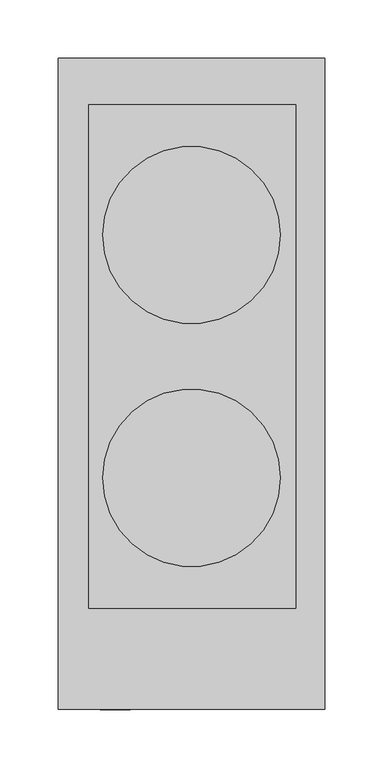
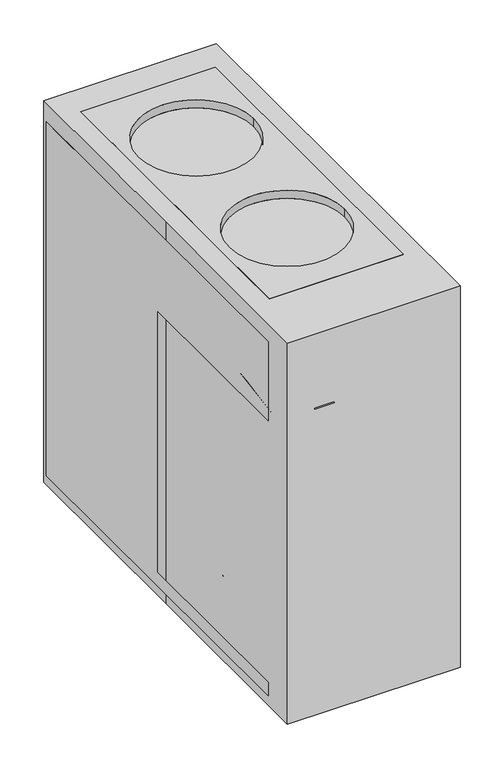
"""IFC4 building model written with IfcOpenShell, lengths in millimetres: proxy geometry."""

from ifc_helpers import new_model, si_unit, point, frame, frame_2d, origin, origin_with_axes, place, context, project, spatial, polyline, circle_curve, ellipse_curve, trimmed, segment, composite_curve, outline, extrude, source, transform, mapped, element, save
from ifc_brep_helpers import plane_surface, cylinder_surface, revolved_surface, advanced_brep


def specialty_equipment_200fc004(model_context):
    return source(origin(), model_context, "Body", "SolidModel", [
        extrude(outline(polyline([(-6.35, 0.0), (6.35, 0.0), (13.7065038, -50.8), (-11.6934962, -50.8), (-6.35, 0.0)])), frame((-66.3573194, -248.7924454, 469.1875481), z_axis=(0.0, -0.866025403784439, 0.49999999999999944), x_axis=(1.0, 0.0, 0.0)), (0.0, 0.0, 1.0), 6.35),
        extrude(outline(polyline([(-60.0073194, -247.65), (-72.7073194, -247.65), (-72.7073194, -234.95), (-60.0073194, -234.95), (-60.0073194, -247.65)])), frame((0.0, 0.0, 456.4875481), z_axis=(0.0, 0.0, 1.0), x_axis=(1.0, 0.0, 0.0)), (0.0, 0.0, 1.0), 12.7),
        extrude(outline(polyline([(99.1586716, -247.65), (54.7086716, -247.65), (54.7086716, -234.95), (99.1586716, -234.95), (99.1586716, -247.65)])), frame((0.0, 0.0, 482.1172372), z_axis=(0.0, 0.0, 1.0), x_axis=(1.0, 0.0, 0.0)), (0.0, 0.0, 1.0), 12.7),
        extrude(outline(polyline([(35.6586716, -247.65), (-8.7913284, -247.65), (-8.7913284, -234.95), (35.6586716, -234.95), (35.6586716, -247.65)])), frame((0.0, 0.0, 482.1172372), z_axis=(0.0, 0.0, 1.0), x_axis=(1.0, 0.0, 0.0)), (0.0, 0.0, 1.0), 12.7),
        extrude(outline(composite_curve([segment(trimmed(circle_curve(frame_2d((449.9890787, 64.52786)), 6.35), [point((449.9890787, 58.17786))], [point((449.9890787, 70.87786))], False, "CARTESIAN"), True, "CONTINUOUS"), segment(trimmed(circle_curve(frame_2d((449.9890787, 64.52786)), 6.35), [point((449.9890787, 70.87786))], [point((449.9890787, 58.17786))], False, "CARTESIAN"), True, "CONTINUOUS")], self_intersect=False)), frame((0.0, -247.65, 0.0), z_axis=(0.0, 1.0, 0.0), x_axis=(0.0, 0.0, 1.0)), (0.0, 0.0, 1.0), 12.7),
        extrude(outline(composite_curve([segment(trimmed(circle_curve(frame_2d((449.9890787, 26.42786)), 6.35), [point((449.9890787, 20.07786))], [point((449.9890787, 32.77786))], False, "CARTESIAN"), True, "CONTINUOUS"), segment(trimmed(circle_curve(frame_2d((449.9890787, 26.42786)), 6.35), [point((449.9890787, 32.77786))], [point((449.9890787, 20.07786))], False, "CARTESIAN"), True, "CONTINUOUS")], self_intersect=False)), frame((0.0, -247.65, 0.0), z_axis=(0.0, 1.0, 0.0), x_axis=(0.0, 0.0, 1.0)), (0.0, 0.0, 1.0), 12.7),
        advanced_brep(
        [(-76.2, 127.7134023, 522.1626312), (76.2, 127.7134023, 522.1626312), (-76.2, 127.7134023, 533.4), (76.2, 127.7134023, 533.4), (-76.2, -80.7485258, 522.1626312), (76.2, -80.7485258, 522.1626312), (-76.2, -80.7485258, 533.4), (76.2, -80.7485258, 533.4), (89.4998195, 239.3021594, 533.4), (-88.3001805, 239.3021594, 533.4), (-88.3001805, -192.4978406, 533.4), (89.4998195, -192.4978406, 533.4), (89.4998195, 239.3021594, 508.0), (89.4998195, -192.4978406, 508.0), (-88.3001805, -192.4978406, 508.0), (-88.3001805, 239.3021594, 508.0)],
        [
            (0, 1, circle_curve(frame((0.0, 127.7134023, 522.1626312), z_axis=(0.0, 0.0, 1.0), x_axis=(1.0, 0.0, 0.0)), 76.2)),
            (1, 0, circle_curve(frame((0.0, 127.7134023, 522.1626312), z_axis=(0.0, 0.0, 1.0), x_axis=(1.0, 0.0, 0.0)), 76.2)),
            (0, 2),
            (2, 3, circle_curve(frame((0.0, 127.7134023, 533.4), z_axis=(0.0, 0.0, 1.0), x_axis=(1.0, 0.0, 0.0)), 76.2)),
            (3, 1),
            (3, 2, circle_curve(frame((0.0, 127.7134023, 533.4), z_axis=(0.0, 0.0, 1.0), x_axis=(1.0, 0.0, 0.0)), 76.2)),
            (4, 5, circle_curve(frame((0.0, -80.7485258, 522.1626312), z_axis=(0.0, 0.0, 1.0), x_axis=(1.0, 0.0, 0.0)), 76.2)),
            (5, 4, circle_curve(frame((0.0, -80.7485258, 522.1626312), z_axis=(0.0, 0.0, 1.0), x_axis=(1.0, 0.0, 0.0)), 76.2)),
            (4, 6),
            (6, 7, circle_curve(frame((0.0, -80.7485258, 533.4), z_axis=(0.0, 0.0, 1.0), x_axis=(1.0, 0.0, 0.0)), 76.2)),
            (7, 5),
            (7, 6, circle_curve(frame((0.0, -80.7485258, 533.4), z_axis=(0.0, 0.0, 1.0), x_axis=(1.0, 0.0, 0.0)), 76.2)),
            (8, 9),
            (9, 10),
            (10, 11),
            (11, 8),
            (12, 13),
            (13, 14),
            (14, 15),
            (15, 12),
            (8, 12),
            (15, 9),
            (14, 10),
            (13, 11),
        ],
        [
            plane_surface(frame((76.2, 127.7134023, 522.1626312), z_axis=(0.0, 0.0, 1.0), x_axis=(0.0, -1.0, 0.0))),
            revolved_surface(polyline([(76.2, 127.7134023, 533.4), (76.2, 127.7134023, 522.1626312)]), (0.0, 127.7134023, 522.1626312), (0.0, 0.0, 1.0)),
            plane_surface(frame((76.2, -80.7485258, 522.1626312), z_axis=(0.0, 0.0, 1.0), x_axis=(0.0, -1.0, 0.0))),
            revolved_surface(polyline([(76.2, -80.7485258, 533.4), (76.2, -80.7485258, 522.1626312)]), (0.0, -80.7485258, 522.1626312), (0.0, 0.0, 1.0)),
            plane_surface(frame((-69.2501805, 239.3021594, 533.4), z_axis=(0.0, 0.0, 1.0), x_axis=(-1.0, 0.0, 0.0))),
            plane_surface(frame((-69.2501805, 239.3021594, 508.0), z_axis=(0.0, 0.0, -1.0), x_axis=(1.0, 0.0, 0.0))),
            plane_surface(frame((89.4998195, 239.3021594, 533.4), z_axis=(0.0, 1.0, 0.0), x_axis=(0.0, 0.0, -1.0))),
            plane_surface(frame((-88.3001805, 239.3021594, 533.4), z_axis=(-1.0, 0.0, 0.0), x_axis=(0.0, 0.0, -1.0))),
            plane_surface(frame((-88.3001805, -192.4978406, 533.4), z_axis=(0.0, -1.0, 0.0), x_axis=(0.0, 0.0, -1.0))),
            plane_surface(frame((89.4998195, -192.4978406, 533.4), z_axis=(1.0, 0.0, 0.0), x_axis=(0.0, 0.0, -1.0))),
        ],
        [
            (0, [[1, 2]]),
            (1, [[-1, 3, 4, 5]]),
            (1, [[-2, -5, 6, -3]]),
            (2, [[7, 8]]),
            (3, [[-7, 9, 10, 11]]),
            (3, [[-8, -11, 12, -9]]),
            (4, [[13, 14, 15, 16], [-4, -6], [-10, -12]]),
            (5, [[17, 18, 19, 20]]),
            (6, [[-13, 21, -20, 22]]),
            (7, [[-14, -22, -19, 23]]),
            (8, [[-15, -23, -18, 24]]),
            (9, [[-16, -24, -17, -21]]),
        ],
    ),
        extrude(outline(polyline([(-234.95, 12.7), (-234.95, 31.75), (19.05, 31.75), (19.05, 397.4233361), (-234.95, 397.4233361), (-234.95, 508.0), (273.05, 508.0), (273.05, 12.7), (-234.95, 12.7)])), frame((-114.3, 0.0, 0.0), z_axis=(1.0, 0.0, 0.0), x_axis=(0.0, 1.0, 0.0)), (0.0, 0.0, 1.0), 228.6),
        advanced_brep(
        [(-114.3, 279.4, 533.4), (-114.3, 0.0, 533.4), (-114.3, -279.4, 533.4), (114.3, -279.4, 533.4), (114.3, 279.4, 533.4), (76.2, 127.7134023, 533.4), (-76.2, 127.7134023, 533.4), (76.2, -80.7485258, 533.4), (-76.2, -80.7485258, 533.4), (-114.3, 279.4, 0.0), (114.3, 279.4, 0.0), (114.3, -279.4, 0.0), (-114.3, -279.4, 0.0), (-114.3, 0.0, 0.0), (-76.2, 127.7134023, 522.1626312), (76.2, 127.7134023, 522.1626312), (-76.2, -80.7485258, 522.1626312), (76.2, -80.7485258, 522.1626312)],
        [
            (0, 1),
            (1, 2),
            (2, 3),
            (3, 4),
            (4, 0),
            (5, 6, circle_curve(frame((0.0, 127.7134023, 533.4), z_axis=(0.0, 0.0, -1.0), x_axis=(1.0, 0.0, 0.0)), 76.2)),
            (6, 5, circle_curve(frame((0.0, 127.7134023, 533.4), z_axis=(0.0, 0.0, -1.0), x_axis=(1.0, 0.0, 0.0)), 76.2)),
            (7, 8, circle_curve(frame((0.0, -80.7485258, 533.4), z_axis=(0.0, 0.0, -1.0), x_axis=(1.0, 0.0, 0.0)), 76.2)),
            (8, 7, circle_curve(frame((0.0, -80.7485258, 533.4), z_axis=(0.0, 0.0, -1.0), x_axis=(1.0, 0.0, 0.0)), 76.2)),
            (9, 10),
            (10, 11),
            (11, 12),
            (12, 13),
            (13, 9),
            (0, 9),
            (13, 1),
            (12, 2),
            (11, 3),
            (10, 4),
            (14, 15, circle_curve(frame((0.0, 127.7134023, 522.1626312), z_axis=(0.0, 0.0, 1.0), x_axis=(1.0, 0.0, 0.0)), 76.2)),
            (15, 14, circle_curve(frame((0.0, 127.7134023, 522.1626312), z_axis=(0.0, 0.0, 1.0), x_axis=(1.0, 0.0, 0.0)), 76.2)),
            (14, 6),
            (5, 15),
            (16, 17, circle_curve(frame((0.0, -80.7485258, 522.1626312), z_axis=(0.0, 0.0, 1.0), x_axis=(1.0, 0.0, 0.0)), 76.2)),
            (17, 16, circle_curve(frame((0.0, -80.7485258, 522.1626312), z_axis=(0.0, 0.0, 1.0), x_axis=(1.0, 0.0, 0.0)), 76.2)),
            (16, 8),
            (7, 17),
        ],
        [
            plane_surface(frame((-114.3, 0.0, 533.4), z_axis=(0.0, 0.0, 1.0), x_axis=(0.0, -1.0, 0.0))),
            plane_surface(frame((-114.3, 0.0, 0.0), z_axis=(0.0, 0.0, -1.0), x_axis=(0.0, 1.0, 0.0))),
            plane_surface(frame((-114.3, 279.4, 533.4), z_axis=(-1.0, 0.0, 0.0), x_axis=(0.0, 0.0, -1.0))),
            plane_surface(frame((-114.3, 0.0, 533.4), z_axis=(-1.0, 0.0, 0.0), x_axis=(0.0, 0.0, -1.0))),
            plane_surface(frame((-114.3, -279.4, 533.4), z_axis=(0.0, -1.0, 0.0), x_axis=(0.0, 0.0, -1.0))),
            plane_surface(frame((114.3, -279.4, 533.4), z_axis=(1.0, 0.0, 0.0), x_axis=(0.0, 0.0, -1.0))),
            plane_surface(frame((114.3, 279.4, 533.4), z_axis=(0.0, 1.0, 0.0), x_axis=(0.0, 0.0, -1.0))),
            plane_surface(frame((76.2, 127.7134023, 522.1626312), z_axis=(0.0, 0.0, 1.0), x_axis=(0.0, -1.0, 0.0))),
            revolved_surface(polyline([(76.2, 127.7134023, 533.4), (76.2, 127.7134023, 522.1626312)]), (0.0, 127.7134023, 522.1626312), (0.0, 0.0, 1.0)),
            plane_surface(frame((76.2, -80.7485258, 522.1626312), z_axis=(0.0, 0.0, 1.0), x_axis=(0.0, -1.0, 0.0))),
            revolved_surface(polyline([(76.2, -80.7485258, 533.4), (76.2, -80.7485258, 522.1626312)]), (0.0, -80.7485258, 522.1626312), (0.0, 0.0, 1.0)),
        ],
        [
            (0, [[1, 2, 3, 4, 5], [6, 7], [8, 9]]),
            (1, [[10, 11, 12, 13, 14]]),
            (2, [[-1, 15, -14, 16]]),
            (3, [[-2, -16, -13, 17]]),
            (4, [[-3, -17, -12, 18]]),
            (5, [[-4, -18, -11, 19]]),
            (6, [[-5, -19, -10, -15]]),
            (7, [[20, 21]]),
            (8, [[-20, 22, -6, 23]]),
            (8, [[-21, -23, -7, -22]]),
            (9, [[24, 25]]),
            (10, [[-24, 26, -8, 27]]),
            (10, [[-25, -27, -9, -26]]),
        ],
    ),
        advanced_brep(
        [(-12.9117986, -140.1635833, 258.171536), (13.4227125, -140.1635833, 258.171536), (13.4227125, -146.5135833, 247.1730134), (-12.9117986, -146.5135833, 247.1730134), (13.4227125, -178.6584125, 280.396536), (13.4227125, -222.4331171, 272.6778745), (13.4227125, -266.5280753, 163.5390233), (13.4227125, -254.7528403, 158.7815196), (13.4227125, -211.4999829, 265.8360982), (13.4227125, -185.0084125, 269.3980134), (-12.9117986, -185.0084125, 269.3980134), (-12.9117986, -211.4999829, 265.8360982), (-12.9117986, -254.7528403, 158.7815196), (-12.9117986, -266.5280753, 163.5390233), (-12.9117986, -222.4331171, 272.6778745), (-12.9117986, -178.6584125, 280.396536), (0.0, -178.6584125, 280.396536), (0.0, -222.4331171, 272.6778745)],
        [
            (0, 1),
            (1, 2),
            (2, 3),
            (3, 0),
            (1, 4),
            (4, 5, circle_curve(frame((13.4227125, -195.9463935, 250.4528745), z_axis=(1.0, 0.0, 0.0), x_axis=(0.0, 0.5000000000000018, 0.8660254037844376)), 34.5759621)),
            (5, 6),
            (6, 7),
            (7, 8),
            (8, 9, circle_curve(frame((13.4227125, -195.9463935, 250.4528745), z_axis=(-1.0, 0.0, 0.0), x_axis=(0.0, 0.5000000000000018, 0.8660254037844376)), 21.8759621)),
            (9, 2),
            (9, 10),
            (10, 3),
            (10, 11, circle_curve(frame((-12.9117986, -195.9463935, 250.4528745), z_axis=(1.0, 0.0, 0.0), x_axis=(0.0, 0.5000000000000018, 0.8660254037844376)), 21.8759621)),
            (11, 12),
            (12, 13),
            (13, 14),
            (14, 15, circle_curve(frame((-12.9117986, -195.9463935, 250.4528745), z_axis=(-1.0, 0.0, 0.0), x_axis=(0.0, 0.5000000000000018, 0.8660254037844376)), 34.5759621)),
            (15, 0),
            (15, 16),
            (16, 4),
            (8, 11),
            (17, 16, circle_curve(frame((0.0, -195.9463935, 250.4528745), z_axis=(-1.0, 0.0, 0.0), x_axis=(0.0, 0.5000000000000018, 0.8660254037844376)), 34.5759621)),
            (14, 17),
            (17, 5),
            (6, 13),
            (12, 7),
        ],
        [
            plane_surface(frame((0.0, -140.1635833, 258.171536), z_axis=(0.0, 0.8660254037844374, -0.5000000000000023), x_axis=(1.0, 0.0, 0.0))),
            plane_surface(frame((13.4227125, -140.1635833, 258.171536), z_axis=(1.0, 0.0, 0.0), x_axis=(0.0, -0.8660254037844374, 0.5000000000000023))),
            plane_surface(frame((13.4227125, -146.5135833, 247.1730134), z_axis=(0.0, -0.5000000000000026, -0.8660254037844373), x_axis=(0.0, -0.8660254037844373, 0.5000000000000026))),
            plane_surface(frame((-12.9117986, -146.5135833, 247.1730134), z_axis=(-1.0, 0.0, 0.0), x_axis=(0.0, -0.8660254037844373, 0.5000000000000026))),
            plane_surface(frame((0.0, -140.1635833, 258.171536), z_axis=(0.0, 0.5000000000000023, 0.8660254037844374), x_axis=(0.0, -0.8660254037844374, 0.5000000000000023))),
            revolved_surface(polyline([(13.4227125, -185.00841244999995, 269.39801341082557), (-12.9117986, -185.00841244999995, 269.39801341082557)]), (0.0, -195.9463935, 250.4528745), (1.0, 0.0, 0.0)),
            cylinder_surface(frame((0.0, -195.9463935, 250.4528745), z_axis=(1.0, 0.0, 0.0), x_axis=(0.0, 0.5000000000000018, 0.8660254037844376)), 34.5759621),
            plane_surface(frame((0.0, -266.5280753, 163.5390233), z_axis=(0.0, -0.3746065934159136, -0.9271838545667869), x_axis=(1.0, 0.0, 0.0))),
            plane_surface(frame((13.4227125, -211.4999829, 265.8360982), z_axis=(0.0, 0.9271838545667866, -0.3746065934159138), x_axis=(0.0, -0.3746065934159138, -0.9271838545667866))),
            plane_surface(frame((0.0, -222.4331171, 272.6778745), z_axis=(0.0, -0.9271838545667866, 0.37460659341591407), x_axis=(0.0, -0.37460659341591407, -0.9271838545667866))),
        ],
        [
            (0, [[1, 2, 3, 4]]),
            (1, [[-2, 5, 6, 7, 8, 9, 10, 11]]),
            (2, [[-3, -11, 12, 13]]),
            (3, [[-4, -13, 14, 15, 16, 17, 18, 19]]),
            (4, [[-19, 20, 21, -5, -1]]),
            (5, [[-14, -12, -10, 22]]),
            (6, [[23, -20, -18, 24]]),
            (6, [[-6, -21, -23, 25]]),
            (7, [[26, -16, 27, -8]]),
            (8, [[-22, -9, -27, -15]]),
            (9, [[-25, -24, -17, -26, -7]]),
        ],
    ),
        advanced_brep(
        [(0.0, -181.2530218, 222.25), (0.0, -54.2530218, 222.25), (0.0, -54.2530218, 44.45), (0.0, -181.2530218, 44.45), (0.0, -146.1023815, 249.80937), (0.0, -89.4036621, 249.80937), (0.0, -146.1023815, 262.50937), (0.0, -89.4036621, 262.50937), (0.0, -179.0936518, 295.5006403), (0.0, -56.4123918, 295.5006403), (0.0, -117.7530218, 295.5006403), (0.0, -117.7530218, 44.45)],
        [
            (0, 1, circle_curve(frame((0.0, -117.7530218, 222.25), z_axis=(0.0, 0.0, -1.0), x_axis=(0.0, 1.0, 0.0)), 63.5)),
            (1, 2, circle_curve(frame((0.0, -123.9538288, 133.35), z_axis=(-1.0, 0.0, 0.0), x_axis=(0.0, 1.0, 0.0)), 112.966422)),
            (2, 3, circle_curve(frame((0.0, -117.7530218, 44.45), z_axis=(0.0, 0.0, 1.0), x_axis=(0.0, 1.0, 0.0)), 63.5)),
            (3, 0, circle_curve(frame((0.0, -111.5522148, 133.35), z_axis=(-1.0, 0.0, 0.0), x_axis=(0.0, -1.0, 0.0)), 112.966422)),
            (1, 0, circle_curve(frame((0.0, -117.7530218, 222.25), z_axis=(0.0, 0.0, -1.0), x_axis=(0.0, 1.0, 0.0)), 63.5)),
            (3, 2, circle_curve(frame((0.0, -117.7530218, 44.45), z_axis=(0.0, 0.0, 1.0), x_axis=(0.0, 1.0, 0.0)), 63.5)),
            (4, 5, circle_curve(frame((0.0, -117.7530218, 249.80937), z_axis=(0.0, 0.0, -1.0), x_axis=(0.0, 1.0, 0.0)), 28.3493597)),
            (5, 1),
            (0, 4),
            (5, 4, circle_curve(frame((0.0, -117.7530218, 249.80937), z_axis=(0.0, 0.0, -1.0), x_axis=(0.0, 1.0, 0.0)), 28.3493597)),
            (6, 7, circle_curve(frame((0.0, -117.7530218, 262.50937), z_axis=(0.0, 0.0, -1.0), x_axis=(0.0, 1.0, 0.0)), 28.3493597)),
            (7, 5),
            (4, 6),
            (7, 6, circle_curve(frame((0.0, -117.7530218, 262.50937), z_axis=(0.0, 0.0, -1.0), x_axis=(0.0, 1.0, 0.0)), 28.3493597)),
            (8, 9, circle_curve(frame((0.0, -117.7530218, 295.5006403), z_axis=(0.0, 0.0, -1.0), x_axis=(0.0, 1.0, 0.0)), 61.34063)),
            (9, 7),
            (6, 8),
            (9, 8, circle_curve(frame((0.0, -117.7530218, 295.5006403), z_axis=(0.0, 0.0, -1.0), x_axis=(0.0, 1.0, 0.0)), 61.34063)),
            (10, 9),
            (8, 10),
            (2, 11),
            (11, 3),
        ],
        [
            revolved_surface(trimmed(ellipse_curve(frame((0.0, -123.9538288, 133.35), z_axis=(1.0, 0.0, 0.0), x_axis=(0.0, 1.0, 0.0)), 112.966422, 112.966422), [point((0.0, -54.2530218, 44.45))], [point((0.0, -54.2530218, 222.25))], True, "CARTESIAN"), (0.0, -117.7530218, 444.5), (0.0, 0.0, 1.0)),
            revolved_surface(polyline([(0.0, -54.2530218, 222.25), (0.0, -89.4036621, 249.80937)]), (0.0, -117.7530218, 444.5), (0.0, 0.0, 1.0)),
            cylinder_surface(frame((0.0, -117.7530218, 444.5), z_axis=(0.0, 0.0, 1.0), x_axis=(0.0, 1.0, 0.0)), 28.3493597),
            revolved_surface(polyline([(0.0, -89.4036621, 262.50937), (0.0, -56.4123918, 295.5006403)]), (0.0, -117.7530218, 444.5), (0.0, 0.0, 1.0)),
            plane_surface(frame((0.0, -117.7530218, 295.5006403), z_axis=(0.0, 0.0, 1.0), x_axis=(0.0, 1.0, 0.0))),
            plane_surface(frame((0.0, -117.7530218, 44.45), z_axis=(0.0, 0.0, -1.0), x_axis=(0.0, 1.0, 0.0))),
        ],
        [
            (0, [[1, 2, 3, 4]]),
            (0, [[5, -4, 6, -2]]),
            (1, [[7, 8, -1, 9]]),
            (1, [[10, -9, -5, -8]]),
            (2, [[11, 12, -7, 13]]),
            (2, [[14, -13, -10, -12]]),
            (3, [[15, 16, -11, 17]]),
            (3, [[18, -17, -14, -16]]),
            (4, [[19, -15, 20]]),
            (4, [[-20, -18, -19]]),
            (5, [[-3, 21, 22]]),
            (5, [[-6, -22, -21]]),
        ],
    ),
        advanced_brep(
        [(-76.2, -117.7530218, 370.4823042), (76.2, -117.7530218, 370.4823042), (-38.1, -117.7530218, 305.756644), (38.1, -117.7530218, 305.756644)],
        [
            (0, 1, circle_curve(frame((0.0, -117.7530218, 370.4823042), z_axis=(0.0, 0.0, 1.0), x_axis=(-1.0, 0.0, 0.0)), 76.2)),
            (1, 0, circle_curve(frame((0.0, -117.7530218, 370.4823042), z_axis=(0.0, 0.0, 1.0), x_axis=(1.0, 0.0, 0.0)), 76.2)),
            (2, 3, circle_curve(frame((0.0, -117.7530218, 305.756644), z_axis=(0.0, 0.0, -1.0), x_axis=(1.0, 0.0, 0.0)), 38.1)),
            (3, 2, circle_curve(frame((0.0, -117.7530218, 305.756644), z_axis=(0.0, 0.0, -1.0), x_axis=(-1.0, 0.0, 0.0)), 38.1)),
            (3, 1),
            (0, 2),
        ],
        [
            plane_surface(frame((0.0, -117.7530218, 370.4823042), z_axis=(0.0, 0.0, 1.0), x_axis=(0.0, -1.0, 0.0))),
            plane_surface(frame((0.0, -117.7530218, 305.756644), z_axis=(0.0, 0.0, -1.0), x_axis=(0.0, -1.0, 0.0))),
            revolved_surface(polyline([(38.09999997056809, -117.7530218, 305.756644), (76.2, -117.7530218, 370.4823042)]), (0.0, -117.7530218, 241.0309839), (0.0, 0.0, 1.0)),
            revolved_surface(polyline([(-38.09999997056809, -117.7530218, 305.756644), (-76.2, -117.7530218, 370.4823042)]), (0.0, -117.7530218, 241.0309839), (0.0, 0.0, 1.0)),
        ],
        [
            (0, [[1, 2]]),
            (1, [[3, 4]]),
            (2, [[-4, 5, -1, 6]]),
            (3, [[-3, -6, -2, -5]]),
        ],
    ),
        extrude(outline(composite_curve([segment(trimmed(circle_curve(frame_2d((0.0, -117.7530218)), 76.2), [point((-76.2, -117.7530218))], [point((76.2, -117.7530218))], False, "CARTESIAN"), True, "CONTINUOUS"), segment(trimmed(circle_curve(frame_2d((0.0, -117.7530218)), 76.2), [point((76.2, -117.7530218))], [point((-76.2, -117.7530218))], False, "CARTESIAN"), True, "CONTINUOUS")], self_intersect=False)), frame((0.0, 0.0, 370.4823042), z_axis=(0.0, 0.0, 1.0), x_axis=(1.0, 0.0, 0.0)), (0.0, 0.0, 1.0), 26.9410319),
        extrude(outline(composite_curve([segment(trimmed(circle_curve(frame_2d((82.683617, 53.3907009)), 6.35), [point((89.033617, 53.3907009))], [point((76.333617, 53.3907009))], False, "CARTESIAN"), True, "CONTINUOUS"), segment(trimmed(circle_curve(frame_2d((82.683617, 53.3907009)), 6.35), [point((76.333617, 53.3907009))], [point((89.033617, 53.3907009))], False, "CARTESIAN"), True, "CONTINUOUS")], self_intersect=False)), origin_with_axes(), (0.0, 0.0, 1.0), 12.7),
        extrude(outline(composite_curve([segment(trimmed(circle_curve(frame_2d((-82.683617, 53.3907009)), 6.35), [point((-89.033617, 53.3907009))], [point((-76.333617, 53.3907009))], False, "CARTESIAN"), True, "CONTINUOUS"), segment(trimmed(circle_curve(frame_2d((-82.683617, 53.3907009)), 6.35), [point((-76.333617, 53.3907009))], [point((-89.033617, 53.3907009))], False, "CARTESIAN"), True, "CONTINUOUS")], self_intersect=False)), origin_with_axes(), (0.0, 0.0, 1.0), 12.7),
        extrude(outline(composite_curve([segment(trimmed(circle_curve(frame_2d((0.0, -117.7530218)), 76.2), [point((-76.2, -117.7530218))], [point((76.2, -117.7530218))], False, "CARTESIAN"), True, "CONTINUOUS"), segment(trimmed(circle_curve(frame_2d((0.0, -117.7530218)), 76.2), [point((76.2, -117.7530218))], [point((-76.2, -117.7530218))], False, "CARTESIAN"), True, "CONTINUOUS")], self_intersect=False)), frame((0.0, 0.0, 31.75), z_axis=(0.0, 0.0, 1.0), x_axis=(1.0, 0.0, 0.0)), (0.0, 0.0, 1.0), 12.7),
        extrude(outline(composite_curve([segment(trimmed(circle_curve(frame_2d((82.683617, -200.6092991)), 6.35), [point((89.033617, -200.6092991))], [point((76.333617, -200.6092991))], False, "CARTESIAN"), True, "CONTINUOUS"), segment(trimmed(circle_curve(frame_2d((82.683617, -200.6092991)), 6.35), [point((76.333617, -200.6092991))], [point((89.033617, -200.6092991))], False, "CARTESIAN"), True, "CONTINUOUS")], self_intersect=False)), origin_with_axes(), (0.0, 0.0, 1.0), 12.7),
        extrude(outline(composite_curve([segment(trimmed(circle_curve(frame_2d((-82.683617, -200.6092991)), 6.35), [point((-89.033617, -200.6092991))], [point((-76.333617, -200.6092991))], False, "CARTESIAN"), True, "CONTINUOUS"), segment(trimmed(circle_curve(frame_2d((-82.683617, -200.6092991)), 6.35), [point((-76.333617, -200.6092991))], [point((-89.033617, -200.6092991))], False, "CARTESIAN"), True, "CONTINUOUS")], self_intersect=False)), origin_with_axes(), (0.0, 0.0, 1.0), 12.7),
        extrude(outline(composite_curve([segment(trimmed(circle_curve(frame_2d((82.683617, 243.8907009)), 6.35), [point((89.033617, 243.8907009))], [point((76.333617, 243.8907009))], False, "CARTESIAN"), True, "CONTINUOUS"), segment(trimmed(circle_curve(frame_2d((82.683617, 243.8907009)), 6.35), [point((76.333617, 243.8907009))], [point((89.033617, 243.8907009))], False, "CARTESIAN"), True, "CONTINUOUS")], self_intersect=False)), origin_with_axes(), (0.0, 0.0, 1.0), 12.7),
        extrude(outline(composite_curve([segment(trimmed(circle_curve(frame_2d((-82.683617, 243.8907009)), 6.35), [point((-89.033617, 243.8907009))], [point((-76.333617, 243.8907009))], False, "CARTESIAN"), True, "CONTINUOUS"), segment(trimmed(circle_curve(frame_2d((-82.683617, 243.8907009)), 6.35), [point((-76.333617, 243.8907009))], [point((-89.033617, 243.8907009))], False, "CARTESIAN"), True, "CONTINUOUS")], self_intersect=False)), origin_with_axes(), (0.0, 0.0, 1.0), 12.7),
    ])


if __name__ == "__main__":
    model = new_model("IFC4")
    model_context = context("Model", 3, world=origin())
    ifc_project = project(units=[si_unit("LENGTHUNIT", "METRE", prefix="MILLI")], contexts=[model_context])
    site = spatial("IfcSite", under=ifc_project)
    building = spatial("IfcBuilding", under=site)
    placement = place(None, origin())
    specialty_equipment_shape = specialty_equipment_200fc004(model_context)
    element("IfcBuildingElementProxy", 1, Name="Specialty Equipment", at=placement, inside=building, context=model_context, shape_type="MappedRepresentation", body=[
        mapped(specialty_equipment_shape, transform((0.0, 0.0, 0.0), x_axis=(1.0, 0.0, 0.0), y_axis=(0.0, 1.0, 0.0), z_axis=(0.0, 0.0, 1.0))),
    ])
    save(model, "model.ifc")
